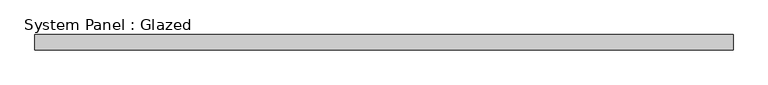
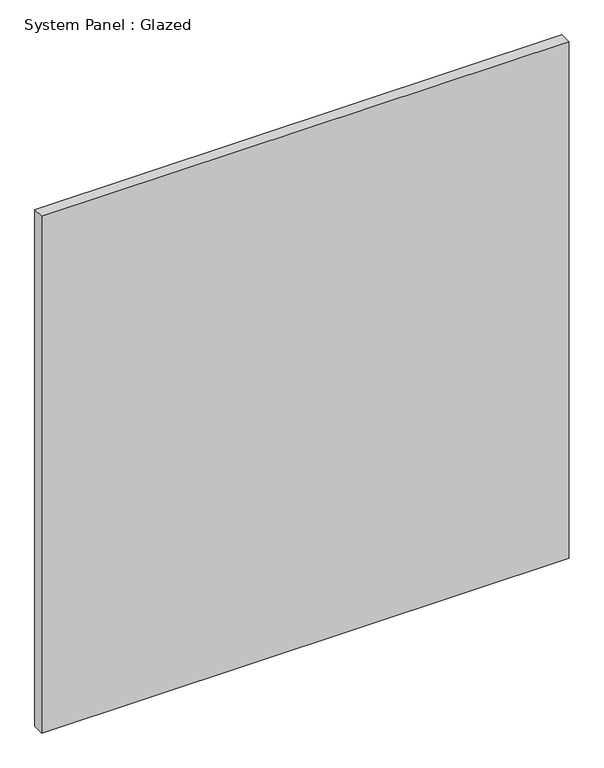
"""IFC4 building model written with IfcOpenShell, lengths in millimetres: plate geometry, System Panel : Glazed."""

from ifc_helpers import new_model, si_unit, origin, origin_with_axes, place, context, project, spatial, polyline, outline, extrude, source, transform, mapped, element, save


def system_panel_glazed_6a8c39d9(model_context):
    return source(origin(), model_context, "Body", "SweptSolid", [
        extrude(outline(polyline([(574.3194, -12.7), (-574.3194, -12.7), (-574.3194, 12.7), (574.3194, 12.7), (574.3194, -12.7)])), origin_with_axes(), (0.0, 0.0, 1.0), 1189.6598),
    ])


if __name__ == "__main__":
    model = new_model("IFC4")
    model_context = context("Model", 3, world=origin())
    ifc_project = project(units=[si_unit("LENGTHUNIT", "METRE", prefix="MILLI")], contexts=[model_context])
    site = spatial("IfcSite", under=ifc_project)
    building = spatial("IfcBuilding", under=site)
    placement = place(None, origin())
    system_panel_glazed_shape = system_panel_glazed_6a8c39d9(model_context)
    element("IfcPlate", 1, ObjectType="System Panel : Glazed", at=placement, inside=building, context=model_context, shape_type="MappedRepresentation", body=[
        mapped(system_panel_glazed_shape, transform((0.0, 0.0, 0.0), x_axis=(1.0, 0.0, 0.0), y_axis=(0.0, 1.0, 0.0), z_axis=(0.0, 0.0, 1.0))),
    ])
    save(model, "model.ifc")
